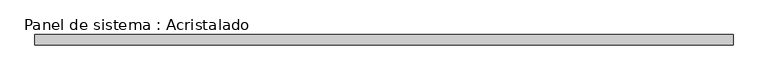
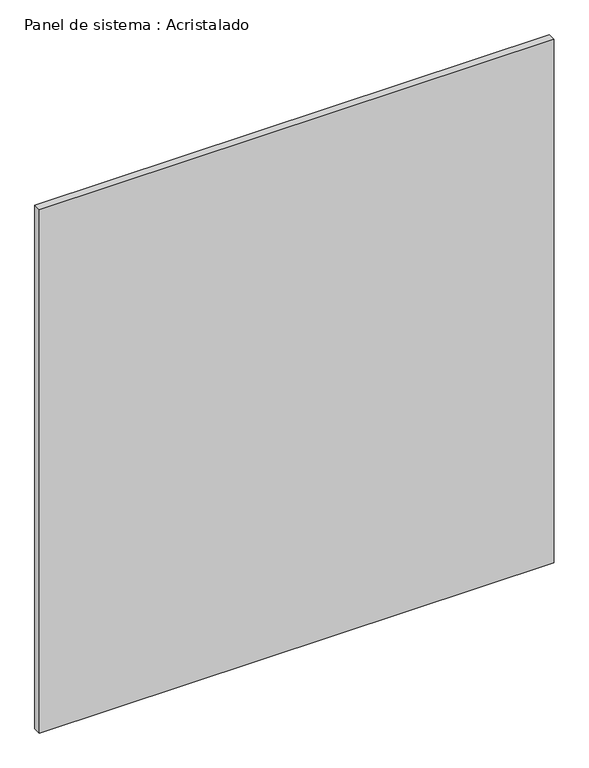
"""IFC4 building model written with IfcOpenShell, lengths in millimetres: plate geometry, Panel de sistema : Acristalado."""

import ifcopenshell
import ifcopenshell.guid

model = None  # the IFC model being written
_history = None  # IfcOwnerHistory: only IFC2X3 demands one
_inside = {}  # id of a spatial element -> (the spatial element, [elements in it])
_under = {}  # id of a project, library or spatial element -> (it, [spatial elements below it])
_declared = {}  # id of a project -> (the project, [libraries it declares])
_typed = {}  # id of a type object -> (the type object, [elements of that type])
_made_of = {}  # id of a material, layer set ... -> (it, [elements and type objects made of it])


def new_model(schema):
    """Start an empty IFC model of exactly this schema.

    Asked for "IFC4X3", IfcOpenShell would pick the latest addendum, in which some entities
    have other attributes; the version numbers below select the first issue.
    IFC2X3 requires an IfcOwnerHistory on every rooted entity: one is made here for all.
    """
    global model, _history
    if schema == "IFC4X3":
        model = ifcopenshell.file(schema_version=(4, 3, 0, 0))
    else:
        model = ifcopenshell.file(schema=schema)
    _inside.clear()
    _under.clear()
    _declared.clear()
    _typed.clear()
    _made_of.clear()
    _history = None
    if model.schema == "IFC2X3":
        org = make("IfcOrganization", Name="unknown")
        user = make(
            "IfcPersonAndOrganization",
            ThePerson=make("IfcPerson", FamilyName="unknown"),
            TheOrganization=org,
        )
        app = make(
            "IfcApplication",
            ApplicationDeveloper=org,
            Version="unknown",
            ApplicationFullName="unknown",
            ApplicationIdentifier="unknown",
        )
        _history = make(
            "IfcOwnerHistory",
            OwningUser=user,
            OwningApplication=app,
            ChangeAction="ADDED",
            CreationDate=0,
        )
    return model


def make(cls, **values):
    """One entity of the class cls with the attributes given. An attribute that is None is left unset."""
    return model.create_entity(
        cls, **{name: value for name, value in values.items() if value is not None}
    )


def rooted(cls, **values):
    """An entity with a GlobalId (a new one), such as an element, a storey or a relation."""
    return make(cls, GlobalId=ifcopenshell.guid.new(), OwnerHistory=_history, **values)


def si_unit(unit_type, name, prefix=None):
    """IfcSIUnit, for example si_unit("LENGTHUNIT", "METRE", prefix="MILLI")."""
    return make("IfcSIUnit", UnitType=unit_type, Prefix=prefix, Name=name)


def assignment(units):
    """IfcUnitAssignment: the units of a project."""
    return None if units is None else make("IfcUnitAssignment", Units=units)


def point(xyz):
    """IfcCartesianPoint."""
    return None if xyz is None else make("IfcCartesianPoint", Coordinates=xyz)


def direction(xyz):
    """IfcDirection."""
    return None if xyz is None else make("IfcDirection", DirectionRatios=xyz)


def frame(location, z_axis=None, x_axis=None):
    """IfcAxis2Placement3D, a coordinate frame: its origin and axes. An axis left out is left unset."""
    return make(
        "IfcAxis2Placement3D",
        Location=point(location),
        Axis=direction(z_axis),
        RefDirection=direction(x_axis),
    )


def origin():
    """The frame at (0, 0, 0) with its axes left unset."""
    return frame((0.0, 0.0, 0.0))


def origin_with_axes():
    """The frame at (0, 0, 0) with the z axis (0, 0, 1) and the x axis (1, 0, 0) written out."""
    return frame((0.0, 0.0, 0.0), z_axis=(0.0, 0.0, 1.0), x_axis=(1.0, 0.0, 0.0))


def place(relative_to, where):
    """IfcLocalPlacement: puts the frame where relative to a parent placement (None: the world)."""
    return make(
        "IfcLocalPlacement", PlacementRelTo=relative_to, RelativePlacement=where
    )


def context(
    kind, dimensions, precision=None, world=None, true_north=None, identifier=None
):
    """IfcGeometricRepresentationContext, for example the 3D "Model" context."""
    return make(
        "IfcGeometricRepresentationContext",
        ContextIdentifier=identifier,
        ContextType=kind,
        CoordinateSpaceDimension=dimensions,
        Precision=precision,
        WorldCoordinateSystem=world,
        TrueNorth=true_north,
    )


def project(units=None, contexts=None):
    """IfcProject with its units and contexts."""
    return rooted(
        "IfcProject",
        Name="project",
        RepresentationContexts=contexts,
        UnitsInContext=assignment(units),
    )


def spatial(cls, under=None, at=None, **own):
    """A site, building, storey or space (cls), placed at a placement, below another one or the project."""
    s = rooted(cls, ObjectPlacement=at, **own)
    if under is not None:
        _under.setdefault(under.id(), (under, []))[1].append(s)
    return s


def polyline(points):
    """IfcPolyline through the points."""
    return make("IfcPolyline", Points=[point(p) for p in points])


def outline(outer, holes=None, kind="AREA"):
    """IfcArbitraryClosedProfileDef: a profile drawn as a closed curve; with holes, ...WithVoids."""
    if holes is None:
        return make("IfcArbitraryClosedProfileDef", ProfileType=kind, OuterCurve=outer)
    return make(
        "IfcArbitraryProfileDefWithVoids",
        ProfileType=kind,
        OuterCurve=outer,
        InnerCurves=holes,
    )


def extrude(swept, where, along, depth):
    """IfcExtrudedAreaSolid: the profile swept, set in the frame where, extruded along a direction by depth."""
    return make(
        "IfcExtrudedAreaSolid",
        SweptArea=swept,
        Position=where,
        ExtrudedDirection=direction(along),
        Depth=depth,
    )


def shape(context_of_items, identifier, shape_type, items):
    """IfcShapeRepresentation: the items that make up one representation, for example the "Body"."""
    return make(
        "IfcShapeRepresentation",
        ContextOfItems=context_of_items,
        RepresentationIdentifier=identifier,
        RepresentationType=shape_type,
        Items=items,
    )


def source(mapping_origin, context_of_items, identifier, shape_type, items):
    """IfcRepresentationMap: a shape defined once, which mapped items show again and again."""
    return make(
        "IfcRepresentationMap",
        MappingOrigin=mapping_origin,
        MappedRepresentation=shape(context_of_items, identifier, shape_type, items),
    )


def transform(
    local_origin,
    x_axis=None,
    y_axis=None,
    z_axis=None,
    scale=None,
    scale2=None,
    scale3=None,
    uniform=True,
):
    """IfcCartesianTransformationOperator3D, or its non-uniform kind. x_axis, y_axis, z_axis: its Axis1, 2, 3."""
    if uniform:
        return make(
            "IfcCartesianTransformationOperator3D",
            Axis1=direction(x_axis),
            Axis2=direction(y_axis),
            LocalOrigin=point(local_origin),
            Scale=scale,
            Axis3=direction(z_axis),
        )
    return make(
        "IfcCartesianTransformationOperator3DnonUniform",
        Axis1=direction(x_axis),
        Axis2=direction(y_axis),
        LocalOrigin=point(local_origin),
        Scale=scale,
        Axis3=direction(z_axis),
        Scale2=scale2,
        Scale3=scale3,
    )


def mapped(mapping_source, mapping_target):
    """IfcMappedItem: shows the shape of a source again, moved by a transform."""
    return make(
        "IfcMappedItem", MappingSource=mapping_source, MappingTarget=mapping_target
    )


def made_of(thing, what):
    """Note that an element or type object is made of a material, layer set ...; save() writes the relation."""
    if what is not None:
        _made_of.setdefault(what.id(), (what, []))[1].append(thing)
    return thing


def element(
    cls,
    number,
    at=None,
    inside=None,
    cuts=None,
    type_object=None,
    material=None,
    context=None,
    identifier="Body",
    shape_type=None,
    held_by="IfcProductDefinitionShape",
    body=None,
    shapes=None,
    **own,
):
    """One element of the class cls, such as IfcWall. Its Tag is "e" and its number.

    at: its placement. inside: the storey or other place that contains it. cuts: it is an
    opening in that element (IfcRelVoidsElement). A single representation is given by context,
    identifier, shape_type and body (its items); several are given by shapes. held_by: the class
    of the entity that holds the representations. save() writes the other relations.
    """
    e = rooted(cls, Tag="e%d" % number, ObjectPlacement=at, **own)
    if body is not None:
        shapes = [shape(context, identifier, shape_type, body)]
    if shapes is not None:
        e.Representation = make(held_by, Representations=shapes)
    if inside is not None:
        _inside.setdefault(inside.id(), (inside, []))[1].append(e)
    if cuts is not None:
        rooted(
            "IfcRelVoidsElement", RelatingBuildingElement=cuts, RelatedOpeningElement=e
        )
    if type_object is not None:
        _typed.setdefault(type_object.id(), (type_object, []))[1].append(e)
    return made_of(e, material)


def aggregate(whole, parts):
    """IfcRelAggregates: a whole, such as a stair, and the parts it consists of."""
    return rooted("IfcRelAggregates", RelatingObject=whole, RelatedObjects=parts)


def save(model, path):
    """Write the relations noted so far, then the file.

    IfcRelAggregates (storeys below a building ...), IfcRelContainedInSpatialStructure (elements
    in a storey), IfcRelDefinesByType, IfcRelAssociatesMaterial and IfcRelDeclares: one each for
    every whole, place, type object, material and project.
    """
    for whole, parts in _under.values():
        aggregate(whole, parts)
    for where, things in _inside.values():
        rooted(
            "IfcRelContainedInSpatialStructure",
            RelatedElements=things,
            RelatingStructure=where,
        )
    for kind, things in _typed.values():
        rooted("IfcRelDefinesByType", RelatedObjects=things, RelatingType=kind)
    for what, things in _made_of.values():
        rooted("IfcRelAssociatesMaterial", RelatedObjects=things, RelatingMaterial=what)
    for by, libraries in _declared.values():
        rooted("IfcRelDeclares", RelatingContext=by, RelatedDefinitions=libraries)
    model.write(path)


def panel_de_sistema_acristalado_c0d2c6f2(model_context):
    return source(origin(), model_context, "Body", "SweptSolid", [
        extrude(outline(polyline([(670.8504807, -10.0), (-670.8504807, -10.0), (-670.8504807, 10.0), (670.8504807, 10.0), (670.8504807, -10.0)])), origin_with_axes(), (0.0, 0.0, 1.0), 1441.0),
    ])


if __name__ == "__main__":
    model = new_model("IFC4")
    model_context = context("Model", 3, world=origin())
    ifc_project = project(units=[si_unit("LENGTHUNIT", "METRE", prefix="MILLI")], contexts=[model_context])
    site = spatial("IfcSite", under=ifc_project)
    building = spatial("IfcBuilding", under=site)
    placement = place(None, origin())
    panel_de_sistema_acristalado_shape = panel_de_sistema_acristalado_c0d2c6f2(model_context)
    element("IfcPlate", 1, ObjectType="Panel de sistema : Acristalado", at=placement, inside=building, context=model_context, shape_type="MappedRepresentation", body=[
        mapped(panel_de_sistema_acristalado_shape, transform((0.0, 0.0, 0.0), x_axis=(1.0, 0.0, 0.0), y_axis=(0.0, 1.0, 0.0), z_axis=(0.0, 0.0, 1.0))),
    ])
    save(model, "model.ifc")
